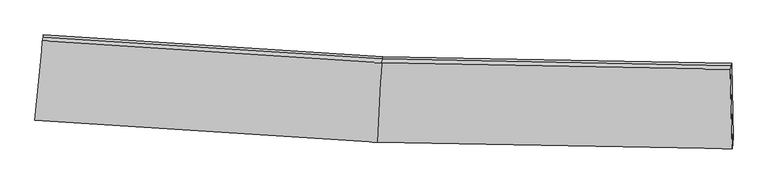
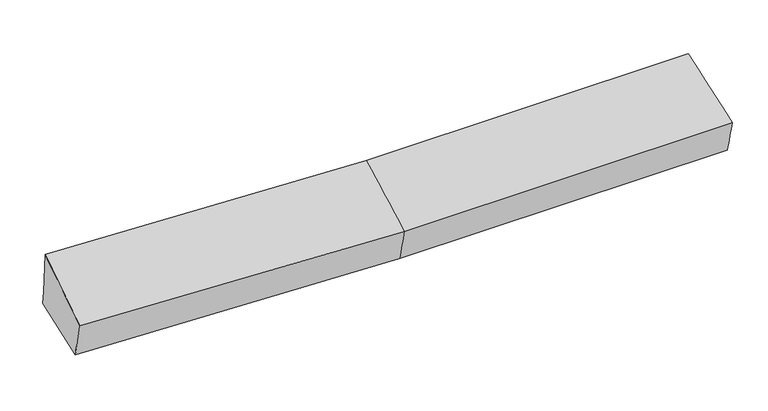
"""IFC4 building model written with IfcOpenShell, lengths in millimetres: proxy geometry."""

from ifc_helpers import new_model, si_unit, frame, origin, place, context, project, spatial, source, transform, mapped, element, save
from ifc_brep_helpers import plane_surface, spline_surface, advanced_brep


def generic_models_8f4e76d0(model_context):
    return source(origin(), model_context, "Body", "AdvancedBrep", [
        advanced_brep(
        [(-3334.1443899, -1921.0211569, 2064.3621759), (-3321.5900067, -1814.0979091, 1679.9932549), (-58.9683051, -2024.0927727, 1725.061152), (-69.3593882, -2128.8307225, 2094.6312367), (-3252.9577866, -1106.2968164, 1792.7196115), (-19.2843677, -1314.0406326, 1837.5384534), (-3255.8380932, -1128.0390117, 1930.9910141), (-22.1646742, -1335.7828279, 1975.809856), (-3261.7782743, -1164.2216962, 2371.636844), (-29.1171598, -1369.5332762, 2401.6295283), (3306.0432329, -1398.9250549, 2030.1479786), (3296.6396001, -1432.6244821, 2455.9246143), (3316.0081324, -2193.1627402, 2149.9729548), (3322.9575452, -2088.3531512, 1780.342442), (3308.9235395, -1377.1828596, 1891.876576)],
        [
            (0, 1),
            (1, 2),
            (2, 3),
            (3, 0),
            (1, 4),
            (4, 5),
            (5, 1),
            (4, 6),
            (6, 7),
            (7, 5),
            (6, 8),
            (8, 9),
            (9, 7),
            (8, 0),
            (3, 9),
            (10, 11),
            (11, 12),
            (12, 13),
            (13, 14),
            (14, 10),
            (5, 2),
            (9, 11),
            (10, 7),
            (3, 12),
            (2, 13),
            (5, 14),
        ],
        [
            spline_surface(1, 1, [[(-3334.1443899, -1921.0211569, 2064.3621759), (-69.3593882, -2128.8307225, 2094.6312367)], [(-3321.5900067, -1814.0979091, 1679.9932549), (-58.9683051, -2024.0927727, 1725.061152)]], [2, 2], [2, 2], [0.0, 1.0], [0.0, 1.0]),
            plane_surface(frame((-3287.2738967, -1460.1973628, 1736.3564332), z_axis=(0.023646418010402438, 0.15500002422231096, -0.9876314289279986), x_axis=(0.09532252788268618, 0.9830570732525878, 0.1565643842197536))),
            plane_surface(frame((-3254.3979399, -1117.1679141, 1861.8553128), z_axis=(0.06116652997130113, 0.9858159675979675, 0.15628670333765834), x_axis=(-0.020573618274056196, -0.15530139516838307, 0.987652875705765))),
            spline_surface(1, 1, [[(-3255.8380932, -1128.0390117, 1930.9910141), (-22.1646742, -1335.7828279, 1975.809856)], [(-3261.7782743, -1164.2216962, 2371.636844), (-29.1171598, -1369.5332762, 2401.6295283)]], [2, 2], [2, 2], [0.0, 1.0], [0.0, 1.0]),
            spline_surface(1, 1, [[(-3261.7782743, -1164.2216962, 2371.636844), (-29.1171598, -1369.5332762, 2401.6295283)], [(-3334.1443899, -1921.0211569, 2064.3621759), (-69.3593882, -2128.8307225, 2094.6312367)]], [2, 2], [2, 2], [0.0, 1.0], [0.0, 1.0]),
            plane_surface(frame((3310.11441, -1698.0496576, 2061.6529131), z_axis=(0.9995983197542533, 0.016063979644842963, 0.02334839828433779), x_axis=(-0.02201164705357535, -0.0788822693635748, 0.9966408956961587))),
            plane_surface(frame((-3285.2617102, -1426.7353181, 1967.9405801), z_axis=(-0.9952338126838238, 0.09736666465907762, -0.005421319395338665), x_axis=(0.08825136054616332, 0.9229261715685291, 0.3747252049110243))),
            plane_surface(frame((-3321.5900067, -1814.0979091, 1679.9932549), z_axis=(0.02362668327916123, 0.1551243485828325, -0.98761238161233), x_axis=(0.055116579728318765, 0.9861835280323463, 0.1562184741851182))),
            spline_surface(1, 1, [[(-22.1646742, -1335.7828279, 1975.809856), (3306.0432329, -1398.9250549, 2030.1479786)], [(-29.1171598, -1369.5332762, 2401.6295283), (3296.6396001, -1432.6244821, 2455.9246143)]], [2, 2], [2, 2], [0.0, 1.0], [0.0, 1.0]),
            spline_surface(1, 1, [[(-29.1171598, -1369.5332762, 2401.6295283), (3296.6396001, -1432.6244821, 2455.9246143)], [(-69.3593882, -2128.8307225, 2094.6312367), (3316.0081324, -2193.1627402, 2149.9729548)]], [2, 2], [2, 2], [0.0, 1.0], [0.0, 1.0]),
            spline_surface(1, 1, [[(-69.3593882, -2128.8307225, 2094.6312367), (3316.0081324, -2193.1627402, 2149.9729548)], [(-58.9683051, -2024.0927727, 1725.061152), (3322.9575452, -2088.3531512, 1780.342442)]], [2, 2], [2, 2], [0.0, 1.0], [0.0, 1.0]),
            spline_surface(1, 1, [[(-58.9683051, -2024.0927727, 1725.061152), (3322.9575452, -2088.3531512, 1780.342442)], [(-19.2843677, -1314.0406326, 1837.5384534), (3308.9235395, -1377.1828596, 1891.876576)]], [2, 2], [2, 2], [0.0, 1.0], [0.0, 1.0]),
            plane_surface(frame((-20.7245209, -1324.9117302, 1906.6741547), z_axis=(0.016197002961499753, 0.9876805500493041, 0.1556431435989693), x_axis=(-0.020573618273749705, -0.1553013951683502, 0.9876528757057765))),
        ],
        [
            (0, [[1, 2, 3, 4]]),
            (1, [[5, 6, 7]]),
            (2, [[8, 9, 10, -6]]),
            (3, [[11, 12, 13, -9]]),
            (4, [[14, -4, 15, -12]]),
            (5, [[16, 17, 18, 19, 20]]),
            (6, [[-14, -11, -8, -5, -1]]),
            (7, [[21, -2, -7]]),
            (8, [[-13, 22, -16, 23]]),
            (9, [[-15, 24, -17, -22]]),
            (10, [[-3, 25, -18, -24]]),
            (11, [[-21, 26, -19, -25]]),
            (12, [[-10, -23, -20, -26]]),
        ],
    ),
    ])


if __name__ == "__main__":
    model = new_model("IFC4")
    model_context = context("Model", 3, world=origin())
    ifc_project = project(units=[si_unit("LENGTHUNIT", "METRE", prefix="MILLI")], contexts=[model_context])
    site = spatial("IfcSite", under=ifc_project)
    building = spatial("IfcBuilding", under=site)
    placement = place(None, origin())
    generic_models_shape = generic_models_8f4e76d0(model_context)
    element("IfcBuildingElementProxy", 1, Name="Generic Models", at=placement, inside=building, context=model_context, shape_type="MappedRepresentation", body=[
        mapped(generic_models_shape, transform((0.0, 0.0, 0.0), x_axis=(1.0, 0.0, 0.0), y_axis=(0.0, 1.0, 0.0), z_axis=(0.0, 0.0, 1.0))),
    ])
    save(model, "model.ifc")
